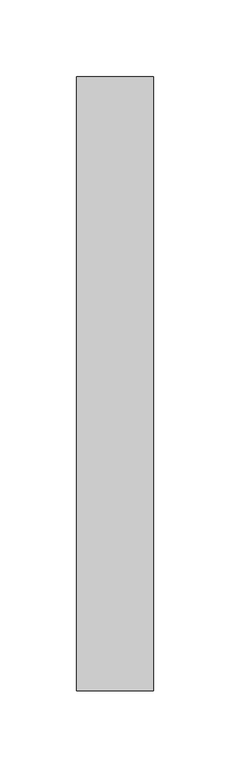
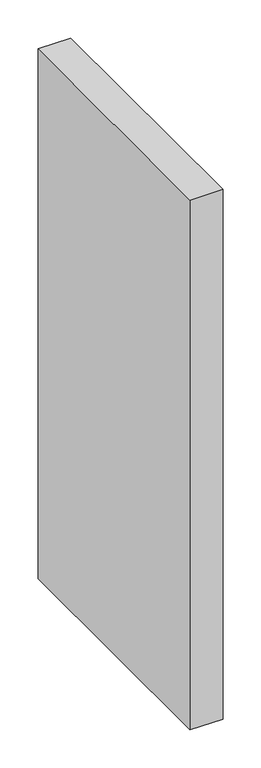
"""IFC4 building model written with IfcOpenShell, lengths in millimetres: proxy geometry."""

from ifc_helpers import new_model, si_unit, origin, origin_with_axes, place, context, project, spatial, polyline, outline, extrude, source, transform, mapped, element, save


def generic_models_0d55af50(model_context):
    return source(origin(), model_context, "Body", "SweptSolid", [
        extrude(outline(polyline([(0.0, 400.0), (50.0, 400.0), (50.0, 0.0), (0.0, 0.0), (0.0, 400.0)])), origin_with_axes(), (0.0, 0.0, 1.0), 850.0),
    ])


if __name__ == "__main__":
    model = new_model("IFC4")
    model_context = context("Model", 3, world=origin())
    ifc_project = project(units=[si_unit("LENGTHUNIT", "METRE", prefix="MILLI")], contexts=[model_context])
    site = spatial("IfcSite", under=ifc_project)
    building = spatial("IfcBuilding", under=site)
    placement = place(None, origin())
    generic_models_shape = generic_models_0d55af50(model_context)
    element("IfcBuildingElementProxy", 1, Name="Generic Models", at=placement, inside=building, context=model_context, shape_type="MappedRepresentation", body=[
        mapped(generic_models_shape, transform((0.0, 0.0, 0.0), x_axis=(1.0, 0.0, 0.0), y_axis=(0.0, 1.0, 0.0), z_axis=(0.0, 0.0, 1.0))),
    ])
    save(model, "model.ifc")
